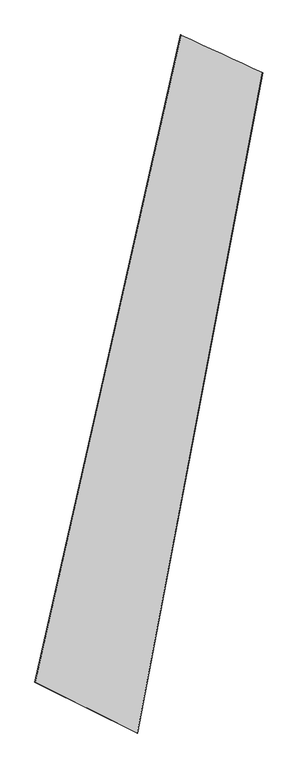
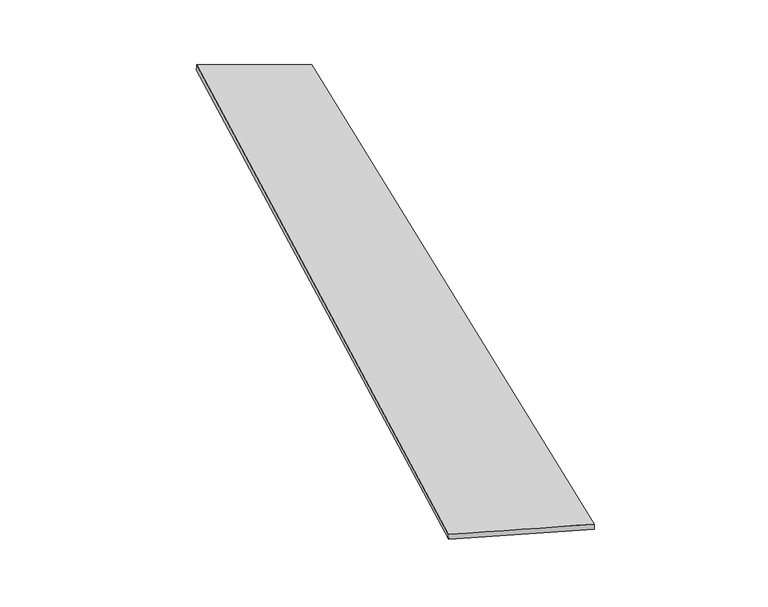
"""IFC4 building model written with IfcOpenShell, lengths in millimetres: proxy geometry."""

from ifc_helpers import new_model, si_unit, origin, place, context, project, spatial, source, transform, mapped, element, save
from ifc_brep_helpers import spline_surface, advanced_brep


def generic_models_d34cb23a(model_context):
    return source(origin(), model_context, "Body", "AdvancedBrep", [
        advanced_brep(
        [(-683.5408274, -1731.6367628, -13.8144369), (-685.2893345, -1731.4695838, 16.1340985), (247.4956588, 2393.5124075, 47.2422169), (244.9412078, 2394.3130282, 17.3618925), (-30.0545429, -2054.324599, 43.7472958), (769.1798167, 2151.9914223, 12.679756), (-29.515533, -2054.6482277, 13.7538843), (768.1151526, 2151.9719623, -17.3013399)],
        [
            (0, 1),
            (1, 2),
            (2, 3),
            (3, 0),
            (1, 4),
            (4, 5),
            (5, 2),
            (4, 6),
            (6, 7),
            (7, 5),
            (6, 0),
            (3, 7),
        ],
        [
            spline_surface(1, 1, [[(-683.5408274, -1731.6367628, -13.8144369), (244.9412078, 2394.3130282, 17.3618925)], [(-685.2893345, -1731.4695838, 16.1340985), (247.4956588, 2393.5124075, 47.2422169)]], [2, 2], [2, 2], [0.0, 1.0], [0.0, 1.0]),
            spline_surface(1, 1, [[(-685.2893345, -1731.4695838, 16.1340985), (247.4956588, 2393.5124075, 47.2422169)], [(-30.0545429, -2054.324599, 43.7472958), (769.1798167, 2151.9914223, 12.679756)]], [2, 2], [2, 2], [0.0, 1.0], [0.0, 1.0]),
            spline_surface(1, 1, [[(-30.0545429, -2054.324599, 43.7472958), (769.1798167, 2151.9914223, 12.679756)], [(-29.515533, -2054.6482277, 13.7538843), (768.1151526, 2151.9719623, -17.3013399)]], [2, 2], [2, 2], [0.0, 1.0], [0.0, 1.0]),
            spline_surface(1, 1, [[(-29.515533, -2054.6482277, 13.7538843), (768.1151526, 2151.9719623, -17.3013399)], [(-683.5408274, -1731.6367628, -13.8144369), (244.9412078, 2394.3130282, 17.3618925)]], [2, 2], [2, 2], [0.0, 1.0], [0.0, 1.0]),
            spline_surface(1, 1, [[(247.4956588, 2393.5124075, 47.2422169), (244.9412078, 2394.3130282, 17.3618925)], [(769.1798167, 2151.9914223, 12.679756), (768.1151526, 2151.9719623, -17.3013399)]], [2, 2], [2, 2], [0.0, 1.0], [0.0, 1.0]),
            spline_surface(1, 1, [[(-29.515533, -2054.6482277, 13.7538843), (-683.5408274, -1731.6367628, -13.8144369)], [(-30.0545429, -2054.324599, 43.7472958), (-685.2893345, -1731.4695838, 16.1340985)]], [2, 2], [2, 2], [0.0, 1.0], [0.0, 1.0]),
        ],
        [
            (0, [[1, 2, 3, 4]]),
            (1, [[5, 6, 7, -2]]),
            (2, [[8, 9, 10, -6]]),
            (3, [[11, -4, 12, -9]]),
            (4, [[-3, -7, -10, -12]]),
            (5, [[-11, -8, -5, -1]]),
        ],
    ),
    ])


if __name__ == "__main__":
    model = new_model("IFC4")
    model_context = context("Model", 3, world=origin())
    ifc_project = project(units=[si_unit("LENGTHUNIT", "METRE", prefix="MILLI")], contexts=[model_context])
    site = spatial("IfcSite", under=ifc_project)
    building = spatial("IfcBuilding", under=site)
    placement = place(None, origin())
    generic_models_shape = generic_models_d34cb23a(model_context)
    element("IfcBuildingElementProxy", 1, Name="Generic Models", at=placement, inside=building, context=model_context, shape_type="MappedRepresentation", body=[
        mapped(generic_models_shape, transform((0.0, 0.0, 0.0), x_axis=(1.0, 0.0, 0.0), y_axis=(0.0, 1.0, 0.0), z_axis=(0.0, 0.0, 1.0))),
    ])
    save(model, "model.ifc")
